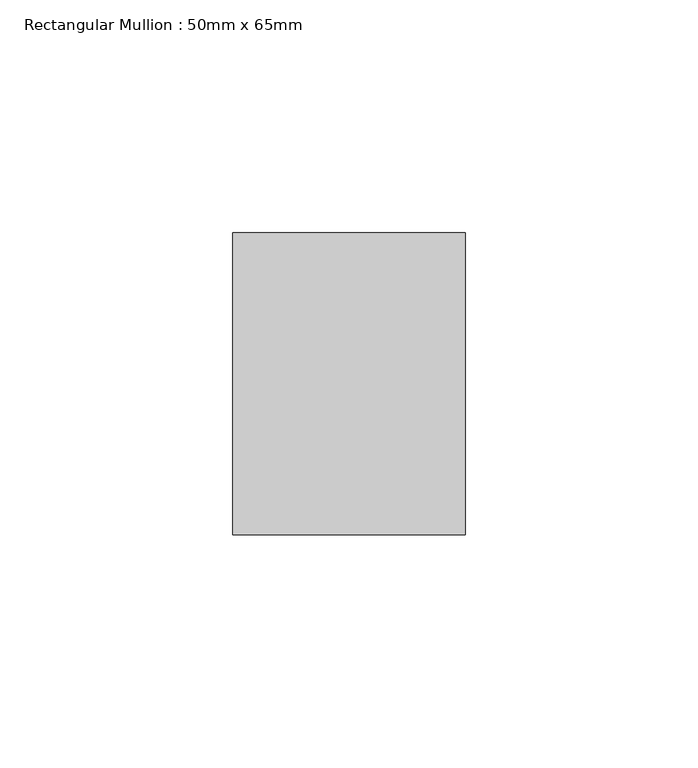
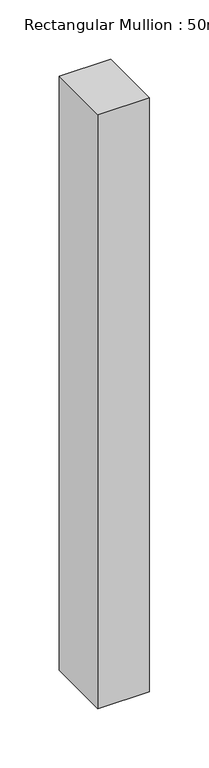
"""IFC4 building model written with IfcOpenShell, lengths in millimetres: member geometry, Rectangular Mullion : 50mm x 65mm."""

from ifc_helpers import new_model, si_unit, frame, origin, place, context, project, spatial, polyline, outline, extrude, source, transform, mapped, element, save


def rectangular_mullion_50mm_x_65mm_d62ea66a(model_context):
    return source(origin(), model_context, "Body", "SweptSolid", [
        extrude(outline(polyline([(25.0, 32.5), (25.0, -32.5), (-25.0, -32.5), (-25.0, 32.5), (25.0, 32.5)])), frame((0.0, 0.0, -610.7643903), z_axis=(0.0, 0.0, 1.0), x_axis=(1.0, 0.0, 0.0)), (0.0, 0.0, 1.0), 610.7643903),
    ])


if __name__ == "__main__":
    model = new_model("IFC4")
    model_context = context("Model", 3, world=origin())
    ifc_project = project(units=[si_unit("LENGTHUNIT", "METRE", prefix="MILLI")], contexts=[model_context])
    site = spatial("IfcSite", under=ifc_project)
    building = spatial("IfcBuilding", under=site)
    placement = place(None, origin())
    rectangular_mullion_50mm_x_65mm_shape = rectangular_mullion_50mm_x_65mm_d62ea66a(model_context)
    element("IfcMember", 1, ObjectType="Rectangular Mullion : 50mm x 65mm", at=placement, inside=building, context=model_context, shape_type="MappedRepresentation", body=[
        mapped(rectangular_mullion_50mm_x_65mm_shape, transform((0.0, 0.0, 0.0), x_axis=(1.0, 0.0, 0.0), y_axis=(0.0, 1.0, 0.0), z_axis=(0.0, 0.0, 1.0))),
    ])
    save(model, "model.ifc")
